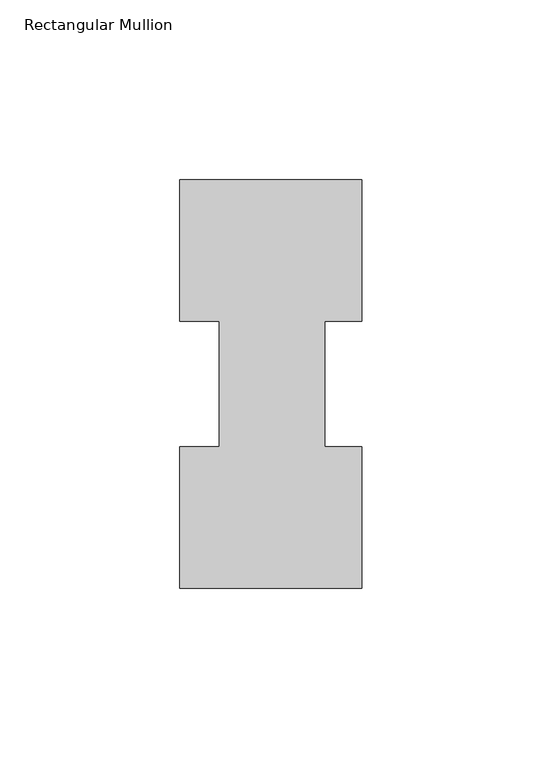
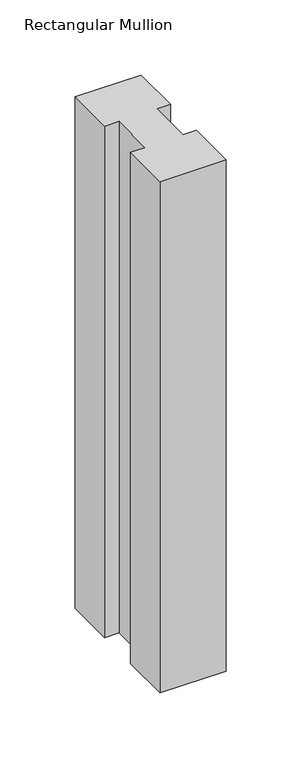
"""IFC4 building model written with IfcOpenShell, lengths in millimetres: member geometry, Rectangular Mullion."""

from ifc_helpers import new_model, si_unit, frame, origin, place, context, project, spatial, polyline, outline, extrude, source, transform, mapped, element, save


def rectangular_mullion_daa653e2(model_context):
    return source(origin(), model_context, "Body", "SweptSolid", [
        extrude(outline(polyline([(-50.8, 114.017425), (0.0, 114.017425), (0.0, 74.596625), (-10.3124, 74.596625), (-10.3124, 39.646225), (0.0, 39.646225), (0.0, 0.225425), (-50.8, 0.225425), (-50.8, 39.646225), (-39.6875, 39.646225), (-39.6875, 74.596625), (-50.8, 74.596625), (-50.8, 114.017425)])), frame((0.0, 0.0, -415.925), z_axis=(0.0, 0.0, 1.0), x_axis=(1.0, 0.0, 0.0)), (0.0, 0.0, 1.0), 415.925),
    ])


if __name__ == "__main__":
    model = new_model("IFC4")
    model_context = context("Model", 3, world=origin())
    ifc_project = project(units=[si_unit("LENGTHUNIT", "METRE", prefix="MILLI")], contexts=[model_context])
    site = spatial("IfcSite", under=ifc_project)
    building = spatial("IfcBuilding", under=site)
    placement = place(None, origin())
    rectangular_mullion_shape = rectangular_mullion_daa653e2(model_context)
    element("IfcMember", 1, ObjectType="Rectangular Mullion", at=placement, inside=building, context=model_context, shape_type="MappedRepresentation", body=[
        mapped(rectangular_mullion_shape, transform((0.0, 0.0, 0.0), x_axis=(1.0, 0.0, 0.0), y_axis=(0.0, 1.0, 0.0), z_axis=(0.0, 0.0, 1.0))),
    ])
    save(model, "model.ifc")
